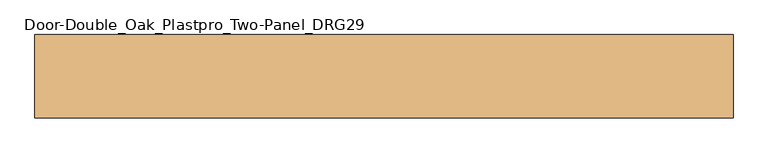
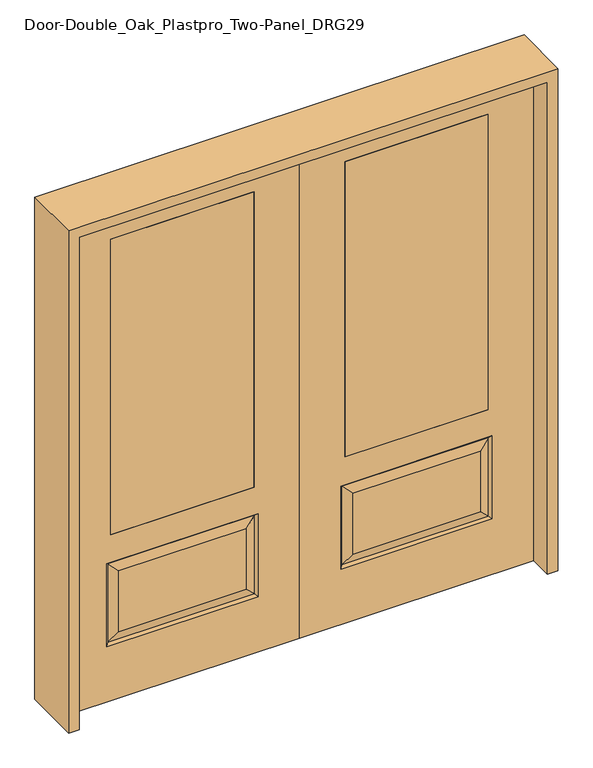
"""IFC4 building model written with IfcOpenShell, lengths in millimetres: door geometry, Door-Double_Oak_Plastpro_Two-Panel_DRG29."""

from ifc_helpers import new_model, si_unit, frame, origin, place, context, project, spatial, polyline, outline, extrude, faceted_brep, source, transform, mapped, element, save


def door_double_oak_plastpro_two_panel_drg29_d4133ba1(model_context):
    return source(origin(), model_context, "Body", "SolidModel", [
        extrude(outline(polyline([(736.6, -20.6375), (177.8, -20.6375), (177.8, 20.6375), (736.6, 20.6375), (736.6, -20.6375)])), frame((0.0, 0.0, 685.8), z_axis=(0.0, 0.0, 1.0), x_axis=(1.0, 0.0, 0.0)), (0.0, 0.0, 1.0), 1219.2),
        faceted_brep([(706.3224548, -20.6375, 274.7525452), (706.3224548, -20.6375, 525.3474548), (208.0775452, -20.6375, 525.3474548), (208.0775452, -20.6375, 274.7525452), (0.0, -20.6375, 2032.0), (0.0, -20.6375, 0.0), (914.4, -20.6375, 0.0), (914.4, -20.6375, 2032.0), (162.0400452, -20.6375, 228.7150452), (162.0400452, -20.6375, 571.3849548), (752.3599548, -20.6375, 571.3849548), (752.3599548, -20.6375, 228.7150452), (736.6, -20.6375, 1905.0), (736.6, -20.6375, 685.8), (177.8, -20.6375, 685.8), (177.8, -20.6375, 1905.0), (736.6, 20.6375, 1905.0), (736.6, 20.6375, 685.8), (177.8, 20.6375, 685.8), (208.0775452, 20.6375, 274.7525452), (208.0775452, 20.6375, 525.3474548), (706.3224548, 20.6375, 525.3474548), (706.3224548, 20.6375, 274.7525452), (914.4, 20.6375, 2032.0), (914.4, 20.6375, 0.0), (0.0, 20.6375, 0.0), (0.0, 20.6375, 2032.0), (752.3599548, 20.6375, 228.7150452), (752.3599548, 20.6375, 571.3849548), (162.0400452, 20.6375, 571.3849548), (162.0400452, 20.6375, 228.7150452), (177.8, 20.6375, 1905.0), (171.0203014, -11.6572439, 237.6953014), (743.3796986, -11.6572439, 237.6953014), (743.3796986, -11.6572439, 562.4046986), (171.0203014, -11.6572439, 562.4046986), (171.0203014, 11.6572439, 237.6953014), (743.3796986, 11.6572439, 237.6953014), (743.3796986, 11.6572439, 562.4046986), (171.0203014, 11.6572439, 562.4046986)], [[[0, 1, 2, 3]], [[4, 5, 6, 7], [8, 9, 10, 11], [12, 13, 14, 15]], [[16, 17, 13, 12]], [[17, 18, 14, 13]], [[19, 20, 21, 22]], [[23, 24, 25, 26], [27, 28, 29, 30], [31, 18, 17, 16]], [[15, 14, 18, 31]], [[6, 5, 25, 24]], [[7, 6, 24, 23]], [[26, 25, 5, 4]], [[32, 8, 11, 33]], [[11, 10, 34, 33]], [[10, 9, 35, 34]], [[32, 35, 9, 8]], [[33, 0, 3, 32]], [[3, 2, 35, 32]], [[34, 35, 2, 1]], [[33, 34, 1, 0]], [[36, 19, 22, 37]], [[22, 21, 38, 37]], [[21, 20, 39, 38]], [[36, 39, 20, 19]], [[37, 27, 30, 36]], [[30, 29, 39, 36]], [[38, 39, 29, 28]], [[37, 38, 28, 27]], [[12, 15, 31, 16]], [[7, 23, 26, 4]]]),
        extrude(outline(polyline([(-736.6, -20.6375), (-736.6, 20.6375), (-177.8, 20.6375), (-177.8, -20.6375), (-736.6, -20.6375)])), frame((0.0, 0.0, 685.8), z_axis=(0.0, 0.0, 1.0), x_axis=(1.0, 0.0, 0.0)), (0.0, 0.0, 1.0), 1219.2),
        faceted_brep([(-706.3224548, -20.6375, 274.7525452), (-208.0775452, -20.6375, 274.7525452), (-208.0775452, -20.6375, 525.3474548), (-706.3224548, -20.6375, 525.3474548), (0.0, -20.6375, 2032.0), (-914.4, -20.6375, 2032.0), (-914.4, -20.6375, 0.0), (0.0, -20.6375, 0.0), (-162.0400452, -20.6375, 228.7150452), (-752.3599548, -20.6375, 228.7150452), (-752.3599548, -20.6375, 571.3849548), (-162.0400452, -20.6375, 571.3849548), (-736.6, -20.6375, 1905.0), (-177.8, -20.6375, 1905.0), (-177.8, -20.6375, 685.8), (-736.6, -20.6375, 685.8), (-736.6, 20.6375, 1905.0), (-736.6, 20.6375, 685.8), (-177.8, 20.6375, 685.8), (-208.0775452, 20.6375, 274.7525452), (-706.3224548, 20.6375, 274.7525452), (-706.3224548, 20.6375, 525.3474548), (-208.0775452, 20.6375, 525.3474548), (-914.4, 20.6375, 2032.0), (0.0, 20.6375, 2032.0), (0.0, 20.6375, 0.0), (-914.4, 20.6375, 0.0), (-752.3599548, 20.6375, 228.7150452), (-162.0400452, 20.6375, 228.7150452), (-162.0400452, 20.6375, 571.3849548), (-752.3599548, 20.6375, 571.3849548), (-177.8, 20.6375, 1905.0), (-171.0203014, -11.6572439, 237.6953014), (-743.3796986, -11.6572439, 237.6953014), (-743.3796986, -11.6572439, 562.4046986), (-171.0203014, -11.6572439, 562.4046986), (-171.0203014, 11.6572439, 237.6953014), (-743.3796986, 11.6572439, 237.6953014), (-743.3796986, 11.6572439, 562.4046986), (-171.0203014, 11.6572439, 562.4046986)], [[[0, 1, 2, 3]], [[4, 5, 6, 7], [8, 9, 10, 11], [12, 13, 14, 15]], [[16, 12, 15, 17]], [[17, 15, 14, 18]], [[19, 20, 21, 22]], [[23, 24, 25, 26], [27, 28, 29, 30], [31, 16, 17, 18]], [[13, 31, 18, 14]], [[6, 26, 25, 7]], [[5, 23, 26, 6]], [[24, 4, 7, 25]], [[32, 33, 9, 8]], [[9, 33, 34, 10]], [[10, 34, 35, 11]], [[32, 8, 11, 35]], [[33, 32, 1, 0]], [[1, 32, 35, 2]], [[34, 3, 2, 35]], [[33, 0, 3, 34]], [[36, 37, 20, 19]], [[20, 37, 38, 21]], [[21, 38, 39, 22]], [[36, 19, 22, 39]], [[37, 36, 28, 27]], [[28, 36, 39, 29]], [[38, 30, 29, 39]], [[37, 27, 30, 38]], [[12, 16, 31, 13]], [[5, 4, 24, 23]]]),
        extrude(outline(polyline([(2073.275, -955.675), (0.0, -955.675), (0.0, -914.4), (2032.0, -914.4), (2032.0, 914.4), (0.0, 914.4), (0.0, 955.675), (2073.275, 955.675), (2073.275, -955.675)])), frame((0.0, -114.3, 0.0), z_axis=(0.0, 1.0, 0.0), x_axis=(0.0, 0.0, 1.0)), (0.0, 0.0, 1.0), 228.6),
    ])


if __name__ == "__main__":
    model = new_model("IFC4")
    model_context = context("Model", 3, world=origin())
    ifc_project = project(units=[si_unit("LENGTHUNIT", "METRE", prefix="MILLI")], contexts=[model_context])
    site = spatial("IfcSite", under=ifc_project)
    building = spatial("IfcBuilding", under=site)
    placement = place(None, origin())
    door_double_oak_plastpro_two_panel_drg29_shape = door_double_oak_plastpro_two_panel_drg29_d4133ba1(model_context)
    element("IfcDoor", 1, ObjectType="Door-Double_Oak_Plastpro_Two-Panel_DRG29", at=placement, inside=building, context=model_context, shape_type="MappedRepresentation", body=[
        mapped(door_double_oak_plastpro_two_panel_drg29_shape, transform((0.0, 0.0, 0.0), x_axis=(1.0, 0.0, 0.0), y_axis=(0.0, 1.0, 0.0), z_axis=(0.0, 0.0, 1.0))),
    ])
    save(model, "model.ifc")
